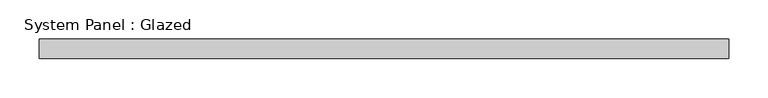
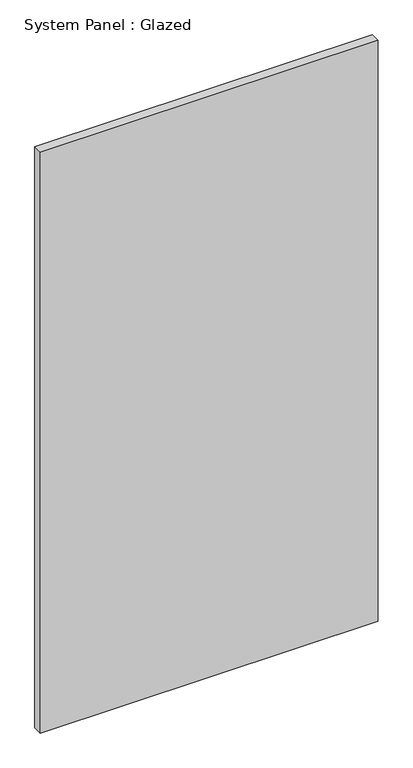
"""IFC4 building model written with IfcOpenShell, lengths in millimetres: plate geometry, System Panel : Glazed."""

from ifc_helpers import new_model, si_unit, origin, origin_with_axes, place, context, project, spatial, polyline, outline, extrude, source, transform, mapped, element, save


def system_panel_glazed_8ed57ddb(model_context):
    return source(origin(), model_context, "Body", "SweptSolid", [
        extrude(outline(polyline([(440.0, 24.5), (-440.0, 24.5), (-440.0, 49.5), (440.0, 49.5), (440.0, 24.5)])), origin_with_axes(), (0.0, 0.0, 1.0), 1600.0),
    ])


if __name__ == "__main__":
    model = new_model("IFC4")
    model_context = context("Model", 3, world=origin())
    ifc_project = project(units=[si_unit("LENGTHUNIT", "METRE", prefix="MILLI")], contexts=[model_context])
    site = spatial("IfcSite", under=ifc_project)
    building = spatial("IfcBuilding", under=site)
    placement = place(None, origin())
    system_panel_glazed_shape = system_panel_glazed_8ed57ddb(model_context)
    element("IfcPlate", 1, ObjectType="System Panel : Glazed", at=placement, inside=building, context=model_context, shape_type="MappedRepresentation", body=[
        mapped(system_panel_glazed_shape, transform((0.0, 0.0, 0.0), x_axis=(1.0, 0.0, 0.0), y_axis=(0.0, 1.0, 0.0), z_axis=(0.0, 0.0, 1.0))),
    ])
    save(model, "model.ifc")
